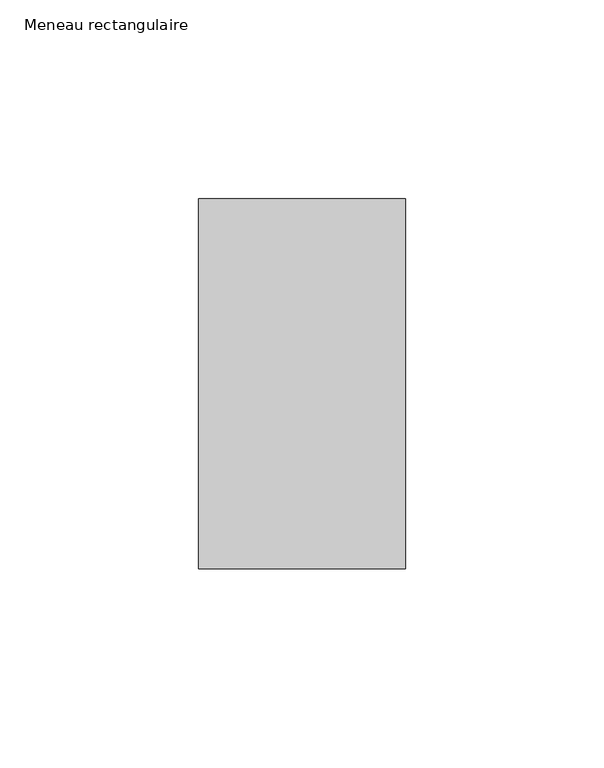
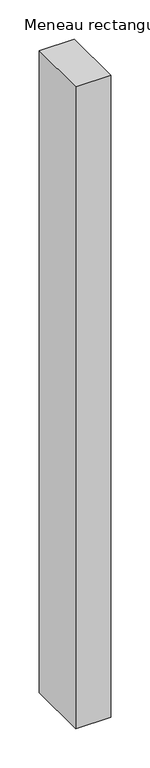
"""IFC4 building model written with IfcOpenShell, lengths in millimetres: member geometry, Meneau rectangulaire."""

from ifc_helpers import new_model, si_unit, frame, origin, place, context, project, spatial, polyline, outline, extrude, source, transform, mapped, element, save


def meneau_rectangulaire_76640824(model_context):
    return source(origin(), model_context, "Body", "SweptSolid", [
        extrude(outline(polyline([(-52.0, 46.5), (0.0, 46.5), (0.0, -46.5), (-52.0, -46.5), (-52.0, 46.5)])), frame((0.0, 0.0, -1001.5497356), z_axis=(0.0, 0.0, 1.0), x_axis=(1.0, 0.0, 0.0)), (0.0, 0.0, 1.0), 1001.5497356),
    ])


if __name__ == "__main__":
    model = new_model("IFC4")
    model_context = context("Model", 3, world=origin())
    ifc_project = project(units=[si_unit("LENGTHUNIT", "METRE", prefix="MILLI")], contexts=[model_context])
    site = spatial("IfcSite", under=ifc_project)
    building = spatial("IfcBuilding", under=site)
    placement = place(None, origin())
    meneau_rectangulaire_shape = meneau_rectangulaire_76640824(model_context)
    element("IfcMember", 1, ObjectType="Meneau rectangulaire", at=placement, inside=building, context=model_context, shape_type="MappedRepresentation", body=[
        mapped(meneau_rectangulaire_shape, transform((0.0, 0.0, 0.0), x_axis=(1.0, 0.0, 0.0), y_axis=(0.0, 1.0, 0.0), z_axis=(0.0, 0.0, 1.0))),
    ])
    save(model, "model.ifc")
